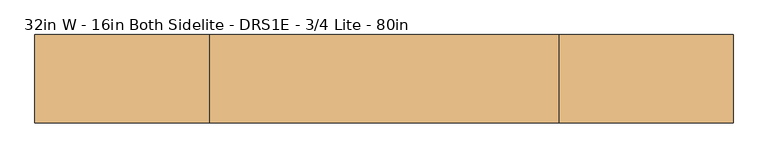
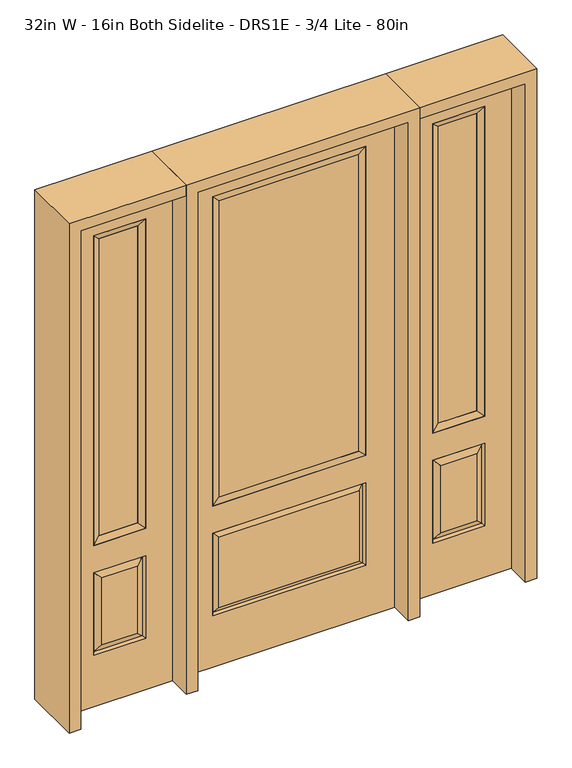
"""IFC4 building model written with IfcOpenShell, lengths in millimetres: door geometry, 32in W - 16in Both Sidelite - DRS1E - 3/4 Lite - 80in."""

from ifc_helpers import new_model, si_unit, frame, origin, place, context, project, spatial, polyline, outline, extrude, faceted_brep, source, transform, mapped, element, save


def door_32in_w_16in_both_sidelite_drs1e_3_4_lite_80in_1b455354(model_context):
    return source(origin(), model_context, "Body", "SolidModel", [
        faceted_brep([(450.85, -22.225, 0.0), (857.25, -22.225, 0.0), (857.25, -22.225, 2032.0), (450.85, -22.225, 2032.0), (754.38, -22.225, 1919.224), (754.38, -22.225, 657.098), (553.72, -22.225, 657.098), (553.72, -22.225, 1919.224), (754.38, -22.225, 209.55), (553.72, -22.225, 209.55), (553.72, -22.225, 546.1), (754.38, -22.225, 546.1), (585.4351001, -22.225, 241.2651001), (722.6648999, -22.225, 241.2651001), (722.6648999, -22.225, 514.3848999), (585.4351001, -22.225, 514.3848999), (450.85, 22.225, 0.0), (450.85, 22.225, 2032.0), (857.25, 22.225, 2032.0), (857.25, 22.225, 0.0), (754.38, 22.225, 1919.224), (553.72, 22.225, 1919.224), (553.72, 22.225, 657.098), (754.38, 22.225, 657.098), (553.72, 22.225, 209.55), (754.38, 22.225, 209.55), (754.38, 22.225, 546.1), (553.72, 22.225, 546.1), (722.6648999, 22.225, 241.2651001), (585.4351001, 22.225, 241.2651001), (585.4351001, 22.225, 514.3848999), (722.6648999, 22.225, 514.3848999), (747.2711499, 12.7912373, 216.6588501), (560.8288501, 12.7912373, 216.6588501), (560.8288501, 12.7912373, 538.9911499), (747.2711499, 12.7912373, 538.9911499), (560.8288501, -12.7912373, 216.6588501), (747.2711499, -12.7912373, 216.6588501), (560.8288501, -12.7912373, 538.9911499), (747.2711499, -12.7912373, 538.9911499)], [[[0, 1, 2, 3], [4, 5, 6, 7], [8, 9, 10, 11]], [[12, 13, 14, 15]], [[16, 17, 18, 19], [20, 21, 22, 23], [24, 25, 26, 27]], [[28, 29, 30, 31]], [[1, 0, 16, 19]], [[2, 1, 19, 18]], [[3, 2, 18, 17]], [[0, 3, 17, 16]], [[5, 4, 20, 23]], [[6, 5, 23, 22]], [[7, 6, 22, 21]], [[4, 7, 21, 20]], [[32, 33, 29, 28]], [[33, 32, 25, 24]], [[29, 33, 34, 30]], [[33, 24, 27, 34]], [[30, 34, 35, 31]], [[34, 27, 26, 35]], [[32, 28, 31, 35]], [[25, 32, 35, 26]], [[12, 36, 37, 13]], [[37, 36, 9, 8]], [[36, 12, 15, 38]], [[9, 36, 38, 10]], [[38, 15, 14, 39]], [[10, 38, 39, 11]], [[13, 37, 39, 14]], [[37, 8, 11, 39]]]),
        faceted_brep([(553.72, 22.225, 1919.224), (553.72, -22.225, 1919.224), (754.38, -22.225, 1919.224), (754.38, 22.225, 1919.224), (579.12, 12.7, 1893.824), (728.98, 12.7, 1893.824), (579.12, -12.7, 1893.824), (728.98, -12.7, 1893.824), (754.38, -22.225, 657.098), (754.38, 22.225, 657.098), (728.98, 12.7, 682.498), (728.98, -12.7, 682.498), (553.72, -22.225, 657.098), (553.72, 22.225, 657.098), (579.12, 12.7, 682.498), (579.12, -12.7, 682.498)], [[[0, 1, 2, 3]], [[4, 0, 3, 5]], [[6, 4, 5, 7]], [[1, 6, 7, 2]], [[3, 2, 8, 9]], [[5, 3, 9, 10]], [[7, 5, 10, 11]], [[2, 7, 11, 8]], [[9, 8, 12, 13]], [[10, 9, 13, 14]], [[11, 10, 14, 15]], [[8, 11, 15, 12]], [[13, 12, 1, 0]], [[14, 13, 0, 4]], [[15, 14, 4, 6]], [[12, 15, 6, 1]]]),
        extrude(outline(polyline([(728.98, -12.7), (579.12, -12.7), (579.12, 12.7), (728.98, 12.7), (728.98, -12.7)])), frame((0.0, 0.0, 682.498), z_axis=(0.0, 0.0, 1.0), x_axis=(1.0, 0.0, 0.0)), (0.0, 0.0, 1.0), 1211.326),
        faceted_brep([(-857.25, -22.225, 0.0), (-450.85, -22.225, 0.0), (-450.85, -22.225, 2032.0), (-857.25, -22.225, 2032.0), (-553.72, -22.225, 1919.224), (-553.72, -22.225, 657.098), (-754.38, -22.225, 657.098), (-754.38, -22.225, 1919.224), (-553.72, -22.225, 209.55), (-754.38, -22.225, 209.55), (-754.38, -22.225, 546.1), (-553.72, -22.225, 546.1), (-722.6648999, -22.225, 241.2651001), (-585.4351001, -22.225, 241.2651001), (-585.4351001, -22.225, 514.3848999), (-722.6648999, -22.225, 514.3848999), (-857.25, 22.225, 0.0), (-857.25, 22.225, 2032.0), (-450.85, 22.225, 2032.0), (-450.85, 22.225, 0.0), (-553.72, 22.225, 1919.224), (-754.38, 22.225, 1919.224), (-754.38, 22.225, 657.098), (-553.72, 22.225, 657.098), (-754.38, 22.225, 209.55), (-553.72, 22.225, 209.55), (-553.72, 22.225, 546.1), (-754.38, 22.225, 546.1), (-585.4351001, 22.225, 241.2651001), (-722.6648999, 22.225, 241.2651001), (-722.6648999, 22.225, 514.3848999), (-585.4351001, 22.225, 514.3848999), (-560.8288501, 12.7912373, 216.6588501), (-747.2711499, 12.7912373, 216.6588501), (-747.2711499, 12.7912373, 538.9911499), (-560.8288501, 12.7912373, 538.9911499), (-747.2711499, -12.7912373, 216.6588501), (-560.8288501, -12.7912373, 216.6588501), (-747.2711499, -12.7912373, 538.9911499), (-560.8288501, -12.7912373, 538.9911499)], [[[0, 1, 2, 3], [4, 5, 6, 7], [8, 9, 10, 11]], [[12, 13, 14, 15]], [[16, 17, 18, 19], [20, 21, 22, 23], [24, 25, 26, 27]], [[28, 29, 30, 31]], [[1, 0, 16, 19]], [[2, 1, 19, 18]], [[3, 2, 18, 17]], [[0, 3, 17, 16]], [[5, 4, 20, 23]], [[6, 5, 23, 22]], [[7, 6, 22, 21]], [[4, 7, 21, 20]], [[32, 33, 29, 28]], [[33, 32, 25, 24]], [[29, 33, 34, 30]], [[33, 24, 27, 34]], [[30, 34, 35, 31]], [[34, 27, 26, 35]], [[32, 28, 31, 35]], [[25, 32, 35, 26]], [[12, 36, 37, 13]], [[37, 36, 9, 8]], [[36, 12, 15, 38]], [[9, 36, 38, 10]], [[38, 15, 14, 39]], [[10, 38, 39, 11]], [[13, 37, 39, 14]], [[37, 8, 11, 39]]]),
        faceted_brep([(-754.38, 22.225, 1919.224), (-754.38, -22.225, 1919.224), (-553.72, -22.225, 1919.224), (-553.72, 22.225, 1919.224), (-728.98, 12.7, 1893.824), (-579.12, 12.7, 1893.824), (-728.98, -12.7, 1893.824), (-579.12, -12.7, 1893.824), (-553.72, -22.225, 657.098), (-553.72, 22.225, 657.098), (-579.12, 12.7, 682.498), (-579.12, -12.7, 682.498), (-754.38, -22.225, 657.098), (-754.38, 22.225, 657.098), (-728.98, 12.7, 682.498), (-728.98, -12.7, 682.498)], [[[0, 1, 2, 3]], [[4, 0, 3, 5]], [[6, 4, 5, 7]], [[1, 6, 7, 2]], [[3, 2, 8, 9]], [[5, 3, 9, 10]], [[7, 5, 10, 11]], [[2, 7, 11, 8]], [[9, 8, 12, 13]], [[10, 9, 13, 14]], [[11, 10, 14, 15]], [[8, 11, 15, 12]], [[13, 12, 1, 0]], [[14, 13, 0, 4]], [[15, 14, 4, 6]], [[12, 15, 6, 1]]]),
        extrude(outline(polyline([(-579.12, -12.7), (-728.98, -12.7), (-728.98, 12.7), (-579.12, 12.7), (-579.12, -12.7)])), frame((0.0, 0.0, 682.498), z_axis=(0.0, 0.0, 1.0), x_axis=(1.0, 0.0, 0.0)), (0.0, 0.0, 1.0), 1211.326),
        faceted_brep([(-288.1661499, -12.7912373, 216.6588501), (288.1661499, -12.7912373, 216.6588501), (270.66875, -22.225, 234.15625), (-270.66875, -22.225, 234.15625), (-295.275, -22.225, 209.55), (295.275, -22.225, 209.55), (-288.1661499, -12.7912373, 538.9911499), (-295.275, -22.225, 546.1), (270.66875, -22.225, 521.49375), (-270.66875, -22.225, 521.49375), (406.4, -22.225, 2032.0), (-406.4, -22.225, 2032.0), (-406.4, -22.225, 0.0), (406.4, -22.225, 0.0), (295.275, -22.225, 546.1), (295.275, -22.225, 1917.7), (295.275, -22.225, 657.098), (-295.275, -22.225, 657.098), (-295.275, -22.225, 1917.7), (288.1661499, -12.7912373, 538.9911499), (-406.4, 22.225, 2032.0), (-406.4, 22.225, 0.0), (406.4, 22.225, 0.0), (406.4, 22.225, 2032.0), (295.275, 22.225, 1917.7), (295.275, 22.225, 657.098), (-295.275, 22.225, 657.098), (-295.275, 22.225, 1917.7), (-295.275, 22.225, 209.55), (295.275, 22.225, 209.55), (295.275, 22.225, 546.1), (-295.275, 22.225, 546.1), (270.66875, 22.225, 234.15625), (-270.66875, 22.225, 234.15625), (-270.66875, 22.225, 521.49375), (270.66875, 22.225, 521.49375), (-288.1661499, 12.7912373, 216.6588501), (288.1661499, 12.7912373, 216.6588501), (288.1661499, 12.7912373, 538.9911499), (-288.1661499, 12.7912373, 538.9911499)], [[[0, 1, 2, 3]], [[1, 0, 4, 5]], [[4, 0, 6, 7]], [[3, 2, 8, 9]], [[10, 11, 12, 13], [5, 4, 7, 14], [15, 16, 17, 18]], [[1, 5, 14, 19]], [[2, 1, 19, 8]], [[0, 3, 9, 6]], [[7, 6, 19, 14]], [[6, 9, 8, 19]], [[12, 11, 20, 21]], [[13, 12, 21, 22]], [[10, 13, 22, 23]], [[16, 15, 24, 25]], [[17, 16, 25, 26]], [[18, 17, 26, 27]], [[23, 22, 21, 20], [28, 29, 30, 31], [24, 27, 26, 25]], [[32, 33, 34, 35]], [[28, 36, 37, 29]], [[29, 37, 38, 30]], [[39, 31, 30, 38]], [[36, 28, 31, 39]], [[37, 36, 33, 32]], [[33, 36, 39, 34]], [[34, 39, 38, 35]], [[37, 32, 35, 38]], [[11, 10, 23, 20]], [[15, 18, 27, 24]]]),
        faceted_brep([(-295.275, -22.225, 1917.7), (-295.275, 22.225, 1917.7), (-295.275, 22.225, 657.098), (-295.275, -22.225, 657.098), (295.275, 22.225, 657.098), (295.275, -22.225, 657.098), (-269.875, 5.08, 682.498), (269.875, 5.08, 682.498), (295.275, 22.225, 1917.7), (295.275, -22.225, 1917.7), (-269.875, -20.32, 682.498), (269.875, -20.32, 682.498), (-269.875, -20.32, 1892.3), (269.875, -20.32, 1892.3), (-269.875, 5.08, 1892.3), (269.875, 5.08, 1892.3)], [[[0, 1, 2, 3]], [[3, 2, 4, 5]], [[2, 6, 7, 4]], [[5, 4, 8, 9]], [[10, 3, 5, 11]], [[12, 0, 3, 10]], [[11, 5, 9, 13]], [[6, 10, 11, 7]], [[14, 12, 10, 6]], [[7, 11, 13, 15]], [[1, 14, 6, 2]], [[4, 7, 15, 8]], [[9, 8, 1, 0]], [[13, 9, 0, 12]], [[15, 13, 12, 14]], [[8, 15, 14, 1]]]),
        extrude(outline(polyline([(269.875, -20.32), (-269.875, -20.32), (-269.875, 5.08), (269.875, 5.08), (269.875, -20.32)])), frame((0.0, 0.0, 682.498), z_axis=(0.0, 0.0, 1.0), x_axis=(1.0, 0.0, 0.0)), (0.0, 0.0, 1.0), 1209.802),
        extrude(outline(polyline([(2032.0, -450.85), (2076.45, -450.85), (2076.45, -901.7), (0.0, -901.7), (0.0, -857.25), (2032.0, -857.25), (2032.0, -450.85)])), frame((0.0, -114.3, 0.0), z_axis=(0.0, 1.0, 0.0), x_axis=(0.0, 0.0, 1.0)), (0.0, 0.0, 1.0), 228.6),
        extrude(outline(polyline([(2076.45, -450.85), (0.0, -450.85), (0.0, -406.4), (2032.0, -406.4), (2032.0, 406.4), (0.0, 406.4), (0.0, 450.85), (2076.45, 450.85), (2076.45, -450.85)])), frame((0.0, -114.3, 0.0), z_axis=(0.0, 1.0, 0.0), x_axis=(0.0, 0.0, 1.0)), (0.0, 0.0, 1.0), 228.6),
        extrude(outline(polyline([(0.0, 857.25), (0.0, 901.7), (2076.45, 901.7), (2076.45, 450.85), (2032.0, 450.85), (2032.0, 857.25), (0.0, 857.25)])), frame((0.0, -114.3, 0.0), z_axis=(0.0, 1.0, 0.0), x_axis=(0.0, 0.0, 1.0)), (0.0, 0.0, 1.0), 228.6),
    ])


if __name__ == "__main__":
    model = new_model("IFC4")
    model_context = context("Model", 3, world=origin())
    ifc_project = project(units=[si_unit("LENGTHUNIT", "METRE", prefix="MILLI")], contexts=[model_context])
    site = spatial("IfcSite", under=ifc_project)
    building = spatial("IfcBuilding", under=site)
    placement = place(None, origin())
    door_32in_w_16in_both_sidelite_drs1e_3_4_lite_80in_shape = door_32in_w_16in_both_sidelite_drs1e_3_4_lite_80in_1b455354(model_context)
    element("IfcDoor", 1, ObjectType="32in W - 16in Both Sidelite - DRS1E - 3/4 Lite - 80in", at=placement, inside=building, context=model_context, shape_type="MappedRepresentation", body=[
        mapped(door_32in_w_16in_both_sidelite_drs1e_3_4_lite_80in_shape, transform((0.0, 0.0, 0.0), x_axis=(1.0, 0.0, 0.0), y_axis=(0.0, 1.0, 0.0), z_axis=(0.0, 0.0, 1.0))),
    ])
    save(model, "model.ifc")
